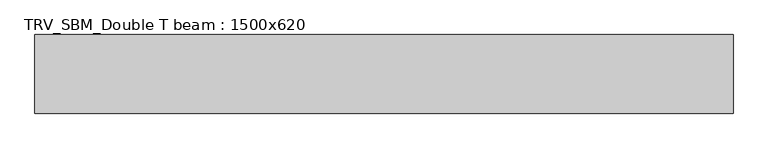
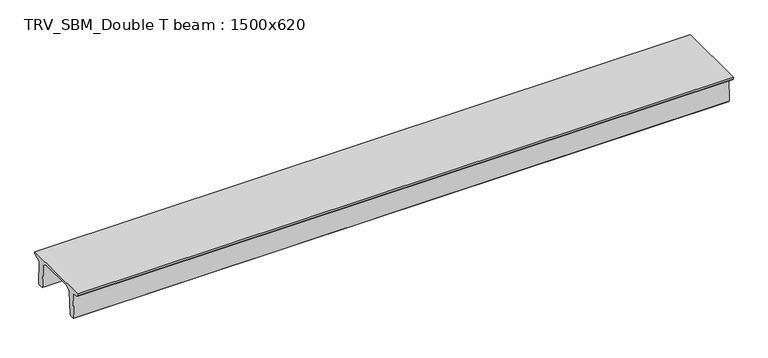
"""IFC4 building model written with IfcOpenShell, lengths in millimetres: beam geometry, TRV_SBM_Double T beam : 1500x620."""

import ifcopenshell
import ifcopenshell.guid

model = None  # the IFC model being written
_history = None  # IfcOwnerHistory: only IFC2X3 demands one
_inside = {}  # id of a spatial element -> (the spatial element, [elements in it])
_under = {}  # id of a project, library or spatial element -> (it, [spatial elements below it])
_declared = {}  # id of a project -> (the project, [libraries it declares])
_typed = {}  # id of a type object -> (the type object, [elements of that type])
_made_of = {}  # id of a material, layer set ... -> (it, [elements and type objects made of it])


def new_model(schema):
    """Start an empty IFC model of exactly this schema.

    Asked for "IFC4X3", IfcOpenShell would pick the latest addendum, in which some entities
    have other attributes; the version numbers below select the first issue.
    IFC2X3 requires an IfcOwnerHistory on every rooted entity: one is made here for all.
    """
    global model, _history
    if schema == "IFC4X3":
        model = ifcopenshell.file(schema_version=(4, 3, 0, 0))
    else:
        model = ifcopenshell.file(schema=schema)
    _inside.clear()
    _under.clear()
    _declared.clear()
    _typed.clear()
    _made_of.clear()
    _history = None
    if model.schema == "IFC2X3":
        org = make("IfcOrganization", Name="unknown")
        user = make(
            "IfcPersonAndOrganization",
            ThePerson=make("IfcPerson", FamilyName="unknown"),
            TheOrganization=org,
        )
        app = make(
            "IfcApplication",
            ApplicationDeveloper=org,
            Version="unknown",
            ApplicationFullName="unknown",
            ApplicationIdentifier="unknown",
        )
        _history = make(
            "IfcOwnerHistory",
            OwningUser=user,
            OwningApplication=app,
            ChangeAction="ADDED",
            CreationDate=0,
        )
    return model


def make(cls, **values):
    """One entity of the class cls with the attributes given. An attribute that is None is left unset."""
    return model.create_entity(
        cls, **{name: value for name, value in values.items() if value is not None}
    )


def rooted(cls, **values):
    """An entity with a GlobalId (a new one), such as an element, a storey or a relation."""
    return make(cls, GlobalId=ifcopenshell.guid.new(), OwnerHistory=_history, **values)


def si_unit(unit_type, name, prefix=None):
    """IfcSIUnit, for example si_unit("LENGTHUNIT", "METRE", prefix="MILLI")."""
    return make("IfcSIUnit", UnitType=unit_type, Prefix=prefix, Name=name)


def assignment(units):
    """IfcUnitAssignment: the units of a project."""
    return None if units is None else make("IfcUnitAssignment", Units=units)


def point(xyz):
    """IfcCartesianPoint."""
    return None if xyz is None else make("IfcCartesianPoint", Coordinates=xyz)


def direction(xyz):
    """IfcDirection."""
    return None if xyz is None else make("IfcDirection", DirectionRatios=xyz)


def frame(location, z_axis=None, x_axis=None):
    """IfcAxis2Placement3D, a coordinate frame: its origin and axes. An axis left out is left unset."""
    return make(
        "IfcAxis2Placement3D",
        Location=point(location),
        Axis=direction(z_axis),
        RefDirection=direction(x_axis),
    )


def origin():
    """The frame at (0, 0, 0) with its axes left unset."""
    return frame((0.0, 0.0, 0.0))


def place(relative_to, where):
    """IfcLocalPlacement: puts the frame where relative to a parent placement (None: the world)."""
    return make(
        "IfcLocalPlacement", PlacementRelTo=relative_to, RelativePlacement=where
    )


def context(
    kind, dimensions, precision=None, world=None, true_north=None, identifier=None
):
    """IfcGeometricRepresentationContext, for example the 3D "Model" context."""
    return make(
        "IfcGeometricRepresentationContext",
        ContextIdentifier=identifier,
        ContextType=kind,
        CoordinateSpaceDimension=dimensions,
        Precision=precision,
        WorldCoordinateSystem=world,
        TrueNorth=true_north,
    )


def project(units=None, contexts=None):
    """IfcProject with its units and contexts."""
    return rooted(
        "IfcProject",
        Name="project",
        RepresentationContexts=contexts,
        UnitsInContext=assignment(units),
    )


def spatial(cls, under=None, at=None, **own):
    """A site, building, storey or space (cls), placed at a placement, below another one or the project."""
    s = rooted(cls, ObjectPlacement=at, **own)
    if under is not None:
        _under.setdefault(under.id(), (under, []))[1].append(s)
    return s


def polyline(points):
    """IfcPolyline through the points."""
    return make("IfcPolyline", Points=[point(p) for p in points])


def outline(outer, holes=None, kind="AREA"):
    """IfcArbitraryClosedProfileDef: a profile drawn as a closed curve; with holes, ...WithVoids."""
    if holes is None:
        return make("IfcArbitraryClosedProfileDef", ProfileType=kind, OuterCurve=outer)
    return make(
        "IfcArbitraryProfileDefWithVoids",
        ProfileType=kind,
        OuterCurve=outer,
        InnerCurves=holes,
    )


def extrude(swept, where, along, depth):
    """IfcExtrudedAreaSolid: the profile swept, set in the frame where, extruded along a direction by depth."""
    return make(
        "IfcExtrudedAreaSolid",
        SweptArea=swept,
        Position=where,
        ExtrudedDirection=direction(along),
        Depth=depth,
    )


def shape(context_of_items, identifier, shape_type, items):
    """IfcShapeRepresentation: the items that make up one representation, for example the "Body"."""
    return make(
        "IfcShapeRepresentation",
        ContextOfItems=context_of_items,
        RepresentationIdentifier=identifier,
        RepresentationType=shape_type,
        Items=items,
    )


def source(mapping_origin, context_of_items, identifier, shape_type, items):
    """IfcRepresentationMap: a shape defined once, which mapped items show again and again."""
    return make(
        "IfcRepresentationMap",
        MappingOrigin=mapping_origin,
        MappedRepresentation=shape(context_of_items, identifier, shape_type, items),
    )


def transform(
    local_origin,
    x_axis=None,
    y_axis=None,
    z_axis=None,
    scale=None,
    scale2=None,
    scale3=None,
    uniform=True,
):
    """IfcCartesianTransformationOperator3D, or its non-uniform kind. x_axis, y_axis, z_axis: its Axis1, 2, 3."""
    if uniform:
        return make(
            "IfcCartesianTransformationOperator3D",
            Axis1=direction(x_axis),
            Axis2=direction(y_axis),
            LocalOrigin=point(local_origin),
            Scale=scale,
            Axis3=direction(z_axis),
        )
    return make(
        "IfcCartesianTransformationOperator3DnonUniform",
        Axis1=direction(x_axis),
        Axis2=direction(y_axis),
        LocalOrigin=point(local_origin),
        Scale=scale,
        Axis3=direction(z_axis),
        Scale2=scale2,
        Scale3=scale3,
    )


def mapped(mapping_source, mapping_target):
    """IfcMappedItem: shows the shape of a source again, moved by a transform."""
    return make(
        "IfcMappedItem", MappingSource=mapping_source, MappingTarget=mapping_target
    )


def made_of(thing, what):
    """Note that an element or type object is made of a material, layer set ...; save() writes the relation."""
    if what is not None:
        _made_of.setdefault(what.id(), (what, []))[1].append(thing)
    return thing


def element(
    cls,
    number,
    at=None,
    inside=None,
    cuts=None,
    type_object=None,
    material=None,
    context=None,
    identifier="Body",
    shape_type=None,
    held_by="IfcProductDefinitionShape",
    body=None,
    shapes=None,
    **own,
):
    """One element of the class cls, such as IfcWall. Its Tag is "e" and its number.

    at: its placement. inside: the storey or other place that contains it. cuts: it is an
    opening in that element (IfcRelVoidsElement). A single representation is given by context,
    identifier, shape_type and body (its items); several are given by shapes. held_by: the class
    of the entity that holds the representations. save() writes the other relations.
    """
    e = rooted(cls, Tag="e%d" % number, ObjectPlacement=at, **own)
    if body is not None:
        shapes = [shape(context, identifier, shape_type, body)]
    if shapes is not None:
        e.Representation = make(held_by, Representations=shapes)
    if inside is not None:
        _inside.setdefault(inside.id(), (inside, []))[1].append(e)
    if cuts is not None:
        rooted(
            "IfcRelVoidsElement", RelatingBuildingElement=cuts, RelatedOpeningElement=e
        )
    if type_object is not None:
        _typed.setdefault(type_object.id(), (type_object, []))[1].append(e)
    return made_of(e, material)


def aggregate(whole, parts):
    """IfcRelAggregates: a whole, such as a stair, and the parts it consists of."""
    return rooted("IfcRelAggregates", RelatingObject=whole, RelatedObjects=parts)


def save(model, path):
    """Write the relations noted so far, then the file.

    IfcRelAggregates (storeys below a building ...), IfcRelContainedInSpatialStructure (elements
    in a storey), IfcRelDefinesByType, IfcRelAssociatesMaterial and IfcRelDeclares: one each for
    every whole, place, type object, material and project.
    """
    for whole, parts in _under.values():
        aggregate(whole, parts)
    for where, things in _inside.values():
        rooted(
            "IfcRelContainedInSpatialStructure",
            RelatedElements=things,
            RelatingStructure=where,
        )
    for kind, things in _typed.values():
        rooted("IfcRelDefinesByType", RelatedObjects=things, RelatingType=kind)
    for what, things in _made_of.values():
        rooted("IfcRelAssociatesMaterial", RelatedObjects=things, RelatingMaterial=what)
    for by, libraries in _declared.values():
        rooted("IfcRelDeclares", RelatingContext=by, RelatedDefinitions=libraries)
    model.write(path)


def trv_sbm_double_t_beam_1500x620_5444e480(model_context):
    return source(origin(), model_context, "Body", "SweptSolid", [
        extrude(outline(polyline([(-765.0, 215.0), (-765.0, 260.0), (735.0, 260.0), (735.0, 215.0), (728.2094488, 201.315559), (578.0626443, 140.6523122), (594.8277662, -339.4379646), (574.2657308, -360.0), (484.2657308, -360.0), (464.786332, -340.5206011), (447.8600761, 144.18395), (338.3237744, 210.0), (-367.4555014, 210.0), (-476.5389732, 151.9992892), (-507.0080378, -339.3850967), (-527.622941, -360.0), (-615.122941, -360.0), (-637.1143055, -338.0086356), (-606.1572167, 162.687806), (-761.3068466, 204.260024), (-765.0, 215.0)])), frame((-6662.5, 0.0, 0.0), z_axis=(1.0, 0.0, 0.0), x_axis=(0.0, 1.0, 0.0)), (0.0, 0.0, 1.0), 13325.0),
    ])


if __name__ == "__main__":
    model = new_model("IFC4")
    model_context = context("Model", 3, world=origin())
    ifc_project = project(units=[si_unit("LENGTHUNIT", "METRE", prefix="MILLI")], contexts=[model_context])
    site = spatial("IfcSite", under=ifc_project)
    building = spatial("IfcBuilding", under=site)
    placement = place(None, origin())
    trv_sbm_double_t_beam_1500x620_shape = trv_sbm_double_t_beam_1500x620_5444e480(model_context)
    element("IfcBeam", 1, ObjectType="TRV_SBM_Double T beam : 1500x620", at=placement, inside=building, context=model_context, shape_type="MappedRepresentation", body=[
        mapped(trv_sbm_double_t_beam_1500x620_shape, transform((0.0, 0.0, 0.0), x_axis=(1.0, 0.0, 0.0), y_axis=(0.0, 1.0, 0.0), z_axis=(0.0, 0.0, 1.0))),
    ])
    save(model, "model.ifc")
